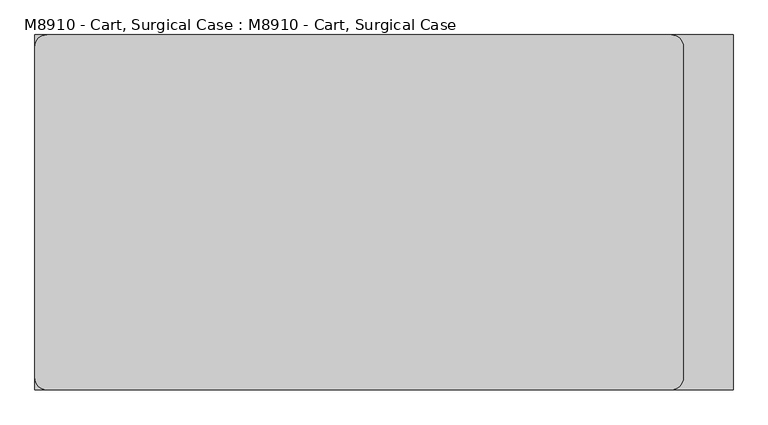
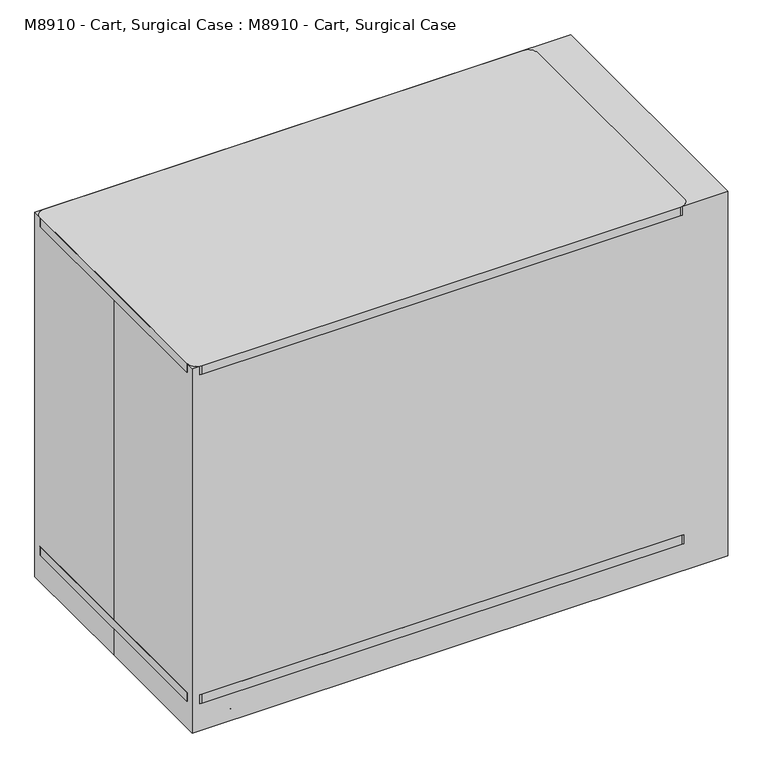
"""IFC4 building model written with IfcOpenShell, lengths in millimetres: proxy geometry, M8910 - Cart, Surgical Case : M8910 - Cart, Surgical Case."""

from ifc_helpers import new_model, si_unit, point, frame, frame_2d, origin, origin_with_axes, place, context, project, spatial, polyline, circle_curve, ellipse_curve, trimmed, segment, composite_curve, outline, extrude, source, transform, mapped, element, save
from ifc_brep_helpers import plane_surface, cylinder_surface, advanced_brep


def m8910_cart_surgical_case_m8910_cart_surgical_case_170979ae(model_context):
    return source(origin(), model_context, "Body", "SolidModel", [
        advanced_brep(
        [(596.9, -184.15, 914.4), (596.9, -146.05, 914.4), (704.85, -184.15, 914.4), (666.75, -146.05, 914.4), (704.85, 158.75, 914.4), (666.75, 120.65, 914.4), (596.9, 158.75, 914.4), (596.9, 120.65, 914.4)],
        [
            (0, 1, circle_curve(frame((596.9, -165.1, 914.4), z_axis=(-1.0, 0.0, 0.0), x_axis=(0.0, 1.0, 0.0)), 19.05)),
            (1, 0, circle_curve(frame((596.9, -165.1, 914.4), z_axis=(-1.0, 0.0, 0.0), x_axis=(0.0, 1.0, 0.0)), 19.05)),
            (0, 2),
            (2, 3, ellipse_curve(frame((685.8, -165.1, 914.4), z_axis=(-0.70710678118655, -0.7071067811865451, 0.0), x_axis=(-0.7071067811865449, 0.7071067811865501, 0.0)), 26.9407684, 19.05)),
            (3, 1),
            (3, 2, ellipse_curve(frame((685.8, -165.1, 914.4), z_axis=(-0.70710678118655, -0.7071067811865451, 0.0), x_axis=(-0.7071067811865449, 0.7071067811865501, 0.0)), 26.9407684, 19.05)),
            (2, 4),
            (4, 5, ellipse_curve(frame((685.8, 139.7, 914.4), z_axis=(0.707106781186545, -0.7071067811865499, 0.0), x_axis=(-0.7071067811865498, -0.7071067811865452, 0.0)), 26.9407684, 19.05)),
            (5, 3),
            (5, 4, ellipse_curve(frame((685.8, 139.7, 914.4), z_axis=(0.707106781186545, -0.7071067811865499, 0.0), x_axis=(-0.7071067811865498, -0.7071067811865452, 0.0)), 26.9407684, 19.05)),
            (6, 7, circle_curve(frame((596.9, 139.7, 914.4), z_axis=(-1.0, 0.0, 0.0), x_axis=(0.0, -1.0, 0.0)), 19.05)),
            (7, 6, circle_curve(frame((596.9, 139.7, 914.4), z_axis=(-1.0, 0.0, 0.0), x_axis=(0.0, -1.0, 0.0)), 19.05)),
            (4, 6),
            (7, 5),
        ],
        [
            plane_surface(frame((596.9, -165.1, 0.0), z_axis=(-1.0, 0.0, 0.0), x_axis=(0.0, 0.0, 1.0))),
            cylinder_surface(frame((596.9, -165.1, 914.4), z_axis=(-1.0, 0.0, 0.0), x_axis=(0.0, 1.0, 0.0)), 19.05),
            cylinder_surface(frame((685.8, -165.1, 914.4), z_axis=(0.0, -1.0, 0.0), x_axis=(-1.0, 0.0, 0.0)), 19.05),
            plane_surface(frame((596.9, 139.7, 0.0), z_axis=(-1.0, 0.0, 0.0), x_axis=(0.0, 0.0, 1.0))),
            cylinder_surface(frame((685.8, 139.7, 914.4), z_axis=(1.0, 0.0, 0.0), x_axis=(0.0, -1.0, 0.0)), 19.05),
        ],
        [
            (0, [[1, 2]]),
            (1, [[-1, 3, 4, 5]]),
            (1, [[-2, -5, 6, -3]]),
            (2, [[-4, 7, 8, 9]]),
            (2, [[-6, -9, 10, -7]]),
            (3, [[11, 12]]),
            (4, [[-8, 13, -12, 14]]),
            (4, [[-10, -14, -11, -13]]),
        ],
    ),
        extrude(outline(composite_curve([segment(trimmed(circle_curve(frame_2d((-234.95, 742.95)), 127.0), [point((-336.55, 819.15))], [point((-336.55, 666.75))], True, "CARTESIAN"), True, "CONTINUOUS"), segment(polyline([(-336.55, 666.75), (-336.55, 656.5806623)]), True, "CONTINUOUS"), segment(trimmed(circle_curve(frame_2d((-234.95, 742.95)), 133.35), [point((-336.55, 656.5806623))], [point((-336.55, 829.3193377))], False, "CARTESIAN"), True, "CONTINUOUS"), segment(polyline([(-336.55, 829.3193377), (-336.55, 819.15)]), True, "CONTINUOUS")], self_intersect=False)), frame((-10.0191863, 0.0, 0.0), z_axis=(1.0, 0.0, 0.0), x_axis=(0.0, 1.0, 0.0)), (0.0, 0.0, 1.0), 12.7),
        extrude(outline(polyline([(596.9, -336.55), (-41.7691863, -336.55), (-41.7691863, -323.85), (596.9, -323.85), (596.9, -336.55)])), frame((0.0, 0.0, 107.95), z_axis=(0.0, 0.0, 1.0), x_axis=(1.0, 0.0, 0.0)), (0.0, 0.0, 1.0), 901.7),
        extrude(outline(polyline([(577.85, -323.85), (577.85, 336.55), (596.9, 336.55), (596.9, -323.85), (577.85, -323.85)])), frame((0.0, 0.0, 101.6), z_axis=(0.0, 0.0, 1.0), x_axis=(1.0, 0.0, 0.0)), (0.0, 0.0, 1.0), 914.4),
        extrude(outline(composite_curve([segment(trimmed(circle_curve(frame_2d((595.2202337, 342.9)), 25.4), [point((595.2202337, 368.3))], [point((620.6202337, 342.9))], False, "CARTESIAN"), True, "CONTINUOUS"), segment(polyline([(620.6202337, 342.9), (620.6202337, -343.1423102)]), True, "CONTINUOUS"), segment(trimmed(circle_curve(frame_2d((595.2202337, -343.1423102)), 25.4), [point((620.6202337, -343.1423102))], [point((595.2202337, -368.5423102))], False, "CARTESIAN"), True, "CONTINUOUS"), segment(polyline([(595.2202337, -368.5423102), (-698.5, -368.5423102)]), True, "CONTINUOUS"), segment(trimmed(circle_curve(frame_2d((-698.5, -343.1423102)), 25.4), [point((-698.5, -368.5423102))], [point((-723.9, -343.1423102))], False, "CARTESIAN"), True, "CONTINUOUS"), segment(polyline([(-723.9, -343.1423102), (-723.9, 342.9)]), True, "CONTINUOUS"), segment(trimmed(circle_curve(frame_2d((-698.5, 342.9)), 25.4), [point((-723.9, 342.9))], [point((-698.5, 368.3))], False, "CARTESIAN"), True, "CONTINUOUS"), segment(polyline([(-698.5, 368.3), (595.2202337, 368.3)]), True, "CONTINUOUS")], self_intersect=False)), frame((0.0, 0.0, 1016.0), z_axis=(0.0, 0.0, 1.0), x_axis=(1.0, 0.0, 0.0)), (0.0, 0.0, 1.0), 25.4),
        extrude(outline(polyline([(-679.45, 336.55), (577.85, 336.55), (577.85, 317.5), (-679.45, 317.5), (-679.45, 336.55)])), frame((0.0, 0.0, 101.6), z_axis=(0.0, 0.0, 1.0), x_axis=(1.0, 0.0, 0.0)), (0.0, 0.0, 1.0), 914.4),
        extrude(outline(polyline([(-679.45, 336.55), (-679.45, -323.85), (-698.5, -323.85), (-698.5, 336.55), (-679.45, 336.55)])), frame((0.0, 0.0, 101.6), z_axis=(0.0, 0.0, 1.0), x_axis=(1.0, 0.0, 0.0)), (0.0, 0.0, 1.0), 914.4),
        extrude(outline(polyline([(304.8, 31.75), (292.1, 31.75), (284.2622657, 76.2), (312.6377343, 76.2), (304.8, 31.75)])), frame((-603.25, 0.0, 0.0), z_axis=(1.0, 0.0, 0.0), x_axis=(0.0, 1.0, 0.0)), (0.0, 0.0, 1.0), 3.175),
        extrude(outline(polyline([(304.8, 31.75), (292.1, 31.75), (284.2622657, 76.2), (312.6377343, 76.2), (304.8, 31.75)])), frame((-619.125, 0.0, 0.0), z_axis=(1.0, 0.0, 0.0), x_axis=(0.0, 1.0, 0.0)), (0.0, 0.0, 1.0), 3.175),
        extrude(outline(composite_curve([segment(trimmed(circle_curve(frame_2d((298.45, 31.75)), 31.75), [point((330.2, 31.75))], [point((266.7, 31.75))], False, "CARTESIAN"), True, "CONTINUOUS"), segment(trimmed(circle_curve(frame_2d((298.45, 31.75)), 31.75), [point((266.7, 31.75))], [point((330.2, 31.75))], False, "CARTESIAN"), True, "CONTINUOUS")], self_intersect=False)), frame((-615.95, 0.0, 0.0), z_axis=(1.0, 0.0, 0.0), x_axis=(0.0, 1.0, 0.0)), (0.0, 0.0, 1.0), 12.7),
        extrude(outline(polyline([(304.8, 31.75), (292.1, 31.75), (284.2622657, 76.2), (312.6377343, 76.2), (304.8, 31.75)])), frame((492.125, 0.0, 0.0), z_axis=(1.0, 0.0, 0.0), x_axis=(0.0, 1.0, 0.0)), (0.0, 0.0, 1.0), 3.175),
        extrude(outline(polyline([(304.8, 31.75), (292.1, 31.75), (284.2622657, 76.2), (312.6377343, 76.2), (304.8, 31.75)])), frame((508.0, 0.0, 0.0), z_axis=(1.0, 0.0, 0.0), x_axis=(0.0, 1.0, 0.0)), (0.0, 0.0, 1.0), 3.175),
        extrude(outline(composite_curve([segment(trimmed(circle_curve(frame_2d((298.45, 31.75)), 31.75), [point((330.2, 31.75))], [point((266.7, 31.75))], False, "CARTESIAN"), True, "CONTINUOUS"), segment(trimmed(circle_curve(frame_2d((298.45, 31.75)), 31.75), [point((266.7, 31.75))], [point((330.2, 31.75))], False, "CARTESIAN"), True, "CONTINUOUS")], self_intersect=False)), frame((495.3, 0.0, 0.0), z_axis=(1.0, 0.0, 0.0), x_axis=(0.0, 1.0, 0.0)), (0.0, 0.0, 1.0), 12.7),
        extrude(outline(composite_curve([segment(trimmed(circle_curve(frame_2d((-234.95, 742.95)), 127.0), [point((-336.55, 819.15))], [point((-336.55, 666.75))], True, "CARTESIAN"), True, "CONTINUOUS"), segment(polyline([(-336.55, 666.75), (-336.55, 656.5806623)]), True, "CONTINUOUS"), segment(trimmed(circle_curve(frame_2d((-234.95, 742.95)), 133.35), [point((-336.55, 656.5806623))], [point((-336.55, 829.3193377))], False, "CARTESIAN"), True, "CONTINUOUS"), segment(polyline([(-336.55, 829.3193377), (-336.55, 819.15)]), True, "CONTINUOUS")], self_intersect=False)), frame((-101.6, 0.0, 0.0), z_axis=(1.0, 0.0, 0.0), x_axis=(0.0, 1.0, 0.0)), (0.0, 0.0, 1.0), 12.7),
        extrude(outline(polyline([(-57.15, -336.55), (-698.5, -336.55), (-698.5, -323.85), (-57.15, -323.85), (-57.15, -336.55)])), frame((0.0, 0.0, 107.95), z_axis=(0.0, 0.0, 1.0), x_axis=(1.0, 0.0, 0.0)), (0.0, 0.0, 1.0), 901.7),
        extrude(outline(polyline([(-323.85, 31.75), (-331.6877343, 76.2), (-303.3122657, 76.2), (-311.15, 31.75), (-323.85, 31.75)])), frame((-603.25, 0.0, 0.0), z_axis=(1.0, 0.0, 0.0), x_axis=(0.0, 1.0, 0.0)), (0.0, 0.0, 1.0), 3.175),
        extrude(outline(polyline([(-323.85, 31.75), (-331.6877343, 76.2), (-303.3122657, 76.2), (-311.15, 31.75), (-323.85, 31.75)])), frame((-619.125, 0.0, 0.0), z_axis=(1.0, 0.0, 0.0), x_axis=(0.0, 1.0, 0.0)), (0.0, 0.0, 1.0), 3.175),
        extrude(outline(composite_curve([segment(trimmed(circle_curve(frame_2d((-317.5, 31.75)), 31.75), [point((-349.25, 31.75))], [point((-285.75, 31.75))], False, "CARTESIAN"), True, "CONTINUOUS"), segment(trimmed(circle_curve(frame_2d((-317.5, 31.75)), 31.75), [point((-285.75, 31.75))], [point((-349.25, 31.75))], False, "CARTESIAN"), True, "CONTINUOUS")], self_intersect=False)), frame((-615.95, 0.0, 0.0), z_axis=(1.0, 0.0, 0.0), x_axis=(0.0, 1.0, 0.0)), (0.0, 0.0, 1.0), 12.7),
        extrude(outline(polyline([(-323.85, 31.75), (-331.6877343, 76.2), (-303.3122657, 76.2), (-311.15, 31.75), (-323.85, 31.75)])), frame((492.125, 0.0, 0.0), z_axis=(1.0, 0.0, 0.0), x_axis=(0.0, 1.0, 0.0)), (0.0, 0.0, 1.0), 3.175),
        extrude(outline(polyline([(-323.85, 31.75), (-331.6877343, 76.2), (-303.3122657, 76.2), (-311.15, 31.75), (-323.85, 31.75)])), frame((508.0, 0.0, 0.0), z_axis=(1.0, 0.0, 0.0), x_axis=(0.0, 1.0, 0.0)), (0.0, 0.0, 1.0), 3.175),
        extrude(outline(composite_curve([segment(trimmed(circle_curve(frame_2d((-317.5, 31.75)), 31.75), [point((-349.25, 31.75))], [point((-285.75, 31.75))], False, "CARTESIAN"), True, "CONTINUOUS"), segment(trimmed(circle_curve(frame_2d((-317.5, 31.75)), 31.75), [point((-285.75, 31.75))], [point((-349.25, 31.75))], False, "CARTESIAN"), True, "CONTINUOUS")], self_intersect=False)), frame((495.3, 0.0, 0.0), z_axis=(1.0, 0.0, 0.0), x_axis=(0.0, 1.0, 0.0)), (0.0, 0.0, 1.0), 12.7),
        extrude(outline(composite_curve([segment(trimmed(circle_curve(frame_2d((599.5808137, 342.9)), 25.4), [point((599.5808137, 368.3))], [point((624.9808137, 342.9))], False, "CARTESIAN"), True, "CONTINUOUS"), segment(polyline([(624.9808137, 342.9), (624.9808137, -343.1423102)]), True, "CONTINUOUS"), segment(trimmed(circle_curve(frame_2d((599.5808137, -343.1423102)), 25.4), [point((624.9808137, -343.1423102))], [point((599.5808137, -368.5423102))], False, "CARTESIAN"), True, "CONTINUOUS"), segment(polyline([(599.5808137, -368.5423102), (-698.5, -368.5423102)]), True, "CONTINUOUS"), segment(trimmed(circle_curve(frame_2d((-698.5, -343.1423102)), 25.4), [point((-698.5, -368.5423102))], [point((-723.9, -343.1423102))], False, "CARTESIAN"), True, "CONTINUOUS"), segment(polyline([(-723.9, -343.1423102), (-723.9, 342.9)]), True, "CONTINUOUS"), segment(trimmed(circle_curve(frame_2d((-698.5, 342.9)), 25.4), [point((-723.9, 342.9))], [point((-698.5, 368.3))], False, "CARTESIAN"), True, "CONTINUOUS"), segment(polyline([(-698.5, 368.3), (599.5808137, 368.3)]), True, "CONTINUOUS")], self_intersect=False)), frame((0.0, 0.0, 76.2), z_axis=(0.0, 0.0, 1.0), x_axis=(1.0, 0.0, 0.0)), (0.0, 0.0, 1.0), 25.4),
        extrude(outline(polyline([(-723.9, 368.3), (723.9, 368.3), (723.9, -368.3), (-723.9, -368.3), (-723.9, 0.0), (-723.9, 368.3)])), origin_with_axes(), (0.0, 0.0, 1.0), 1041.4),
    ])


if __name__ == "__main__":
    model = new_model("IFC4")
    model_context = context("Model", 3, world=origin())
    ifc_project = project(units=[si_unit("LENGTHUNIT", "METRE", prefix="MILLI")], contexts=[model_context])
    site = spatial("IfcSite", under=ifc_project)
    building = spatial("IfcBuilding", under=site)
    placement = place(None, origin())
    m8910_cart_surgical_case_m8910_cart_surgical_case_shape = m8910_cart_surgical_case_m8910_cart_surgical_case_170979ae(model_context)
    element("IfcBuildingElementProxy", 1, Name="M8910 - Cart, Surgical Case : M8910 - Cart, Surgical Case", ObjectType="M8910 - Cart, Surgical Case : M8910 - Cart, Surgical Case", at=placement, inside=building, context=model_context, shape_type="MappedRepresentation", body=[
        mapped(m8910_cart_surgical_case_m8910_cart_surgical_case_shape, transform((0.0, 0.0, 0.0), x_axis=(1.0, 0.0, 0.0), y_axis=(0.0, 1.0, 0.0), z_axis=(0.0, 0.0, 1.0))),
    ])
    save(model, "model.ifc")
